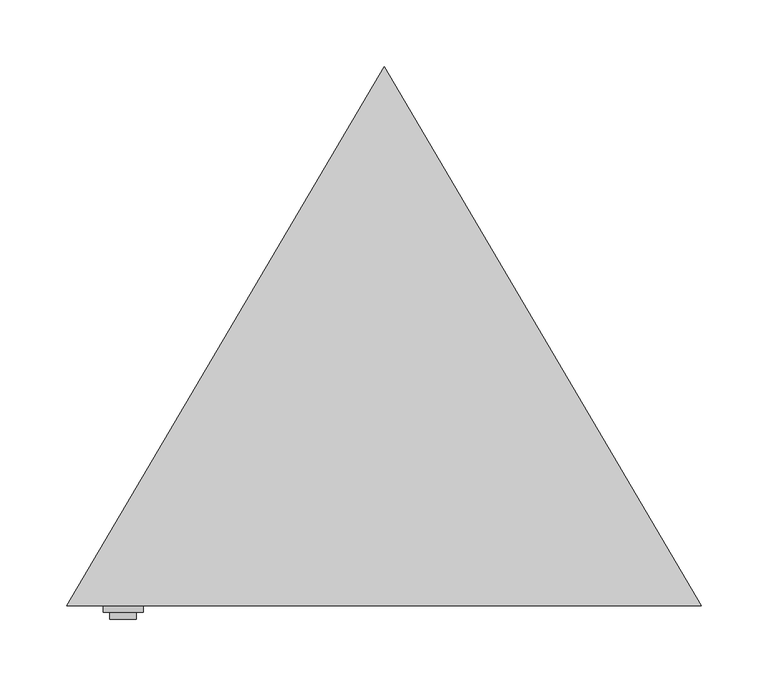
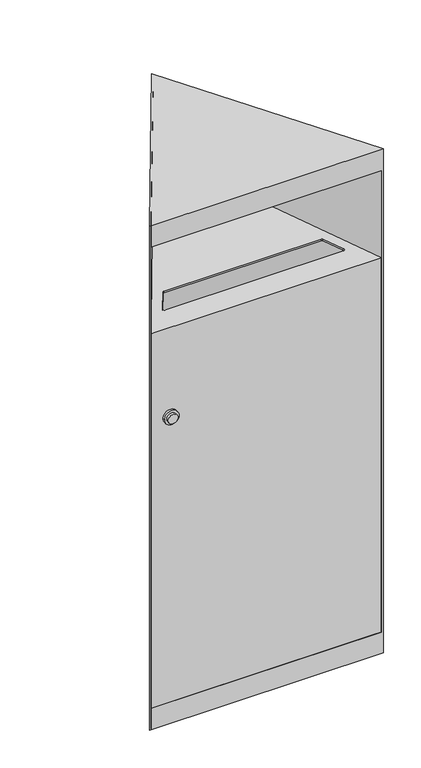
"""IFC4 building model written with IfcOpenShell, lengths in millimetres: furniture geometry."""

from ifc_helpers import new_model, si_unit, point, frame, frame_2d, origin, origin_with_axes, place, context, project, spatial, polyline, circle_curve, ellipse_curve, trimmed, segment, composite_curve, outline, extrude, faceted_brep, source, transform, mapped, element, save
from ifc_brep_helpers import plane_surface, revolved_surface, advanced_brep


def furniture_6f7bcf2e(model_context):
    return source(origin(), model_context, "Body", "SolidModel", [
        extrude(outline(composite_curve([segment(trimmed(circle_curve(frame_2d((662.0, -196.0)), 10.0), [point((662.0, -186.0))], [point((662.0, -206.0))], False, "CARTESIAN"), True, "CONTINUOUS"), segment(trimmed(circle_curve(frame_2d((662.0, -196.0)), 10.0), [point((662.0, -206.0))], [point((662.0, -186.0))], False, "CARTESIAN"), True, "CONTINUOUS")], self_intersect=False)), frame((0.0, -120.0, 0.0), z_axis=(0.0, 1.0, 0.0), x_axis=(0.0, 0.0, 1.0)), (0.0, 0.0, 1.0), 5.0),
        extrude(outline(composite_curve([segment(trimmed(circle_curve(frame_2d((662.0, -196.0)), 15.0), [point((662.0, -211.0))], [point((662.0, -181.0))], False, "CARTESIAN"), True, "CONTINUOUS"), segment(trimmed(circle_curve(frame_2d((662.0, -196.0)), 15.0), [point((662.0, -181.0))], [point((662.0, -211.0))], False, "CARTESIAN"), True, "CONTINUOUS")], self_intersect=False)), frame((0.0, -115.0, 0.0), z_axis=(0.0, 1.0, 0.0), x_axis=(0.0, 0.0, 1.0)), (0.0, 0.0, 1.0), 5.0),
        faceted_brep([(238.5, -110.0, 1086.0), (0.0, 294.9910493, 1086.0), (-238.5, -110.0, 1086.0), (-238.5, -110.0, 0.0), (0.0, 294.9910493, 0.0), (238.5, -110.0, 0.0), (-233.2517359, -107.0, 0.0), (233.2517359, -107.0, 0.0), (0.0, 289.0790996, 0.0), (0.0, 289.0790996, 1083.0), (-233.2517359, -107.0, 1083.0), (-233.2517359, -107.0, 1040.0), (-235.0184416, -110.0, 1040.0), (-235.0184416, -110.0, 46.0), (-233.2517359, -107.0, 46.0), (233.2517359, -107.0, 46.0), (235.0184416, -110.0, 46.0), (235.0184416, -110.0, 1040.0), (233.2517359, -107.0, 1040.0), (233.2517359, -107.0, 1083.0)], [[[0, 1, 2]], [[3, 4, 5], [6, 7, 8]], [[6, 8, 9, 10, 11, 12, 13, 14]], [[8, 7, 15, 16, 17, 18, 19, 9]], [[0, 2, 3, 5], [13, 12, 17, 16]], [[1, 0, 5, 4]], [[2, 1, 4, 3]], [[15, 14, 13, 16]], [[14, 15, 7, 6]], [[10, 9, 19]], [[11, 18, 17, 12]], [[18, 11, 10, 19]]]),
        advanced_brep(
        [(0.0, 289.0790996, 923.4146925), (0.0, 289.0790996, 920.3684127), (-233.2517359, -107.0, 850.5289809), (-233.2517359, -107.0, 46.0), (-235.0184416, -110.0, 46.0), (-235.0184416, -110.0, 853.0462798), (235.0184416, -110.0, 853.0462798), (235.0184416, -110.0, 46.0), (233.2517359, -107.0, 46.0), (233.2517359, -107.0, 850.5289809), (184.4109572, -63.4776596, 861.2494237), (181.825908, -68.0, 860.452013), (-181.825908, -68.0, 860.452013), (-184.4109572, -63.4776596, 861.2494237), (-163.2104887, -27.4776596, 867.597195), (-160.6254394, -26.0, 867.8577462), (160.6254394, -26.0, 867.8577462), (163.2104887, -27.4776596, 867.597195), (181.825908, -68.0, 857.4057332), (184.4109572, -63.4776596, 858.2031438), (163.2104887, -27.4776596, 864.5509151), (160.6254394, -26.0, 864.8114664), (-160.6254394, -26.0, 864.8114664), (-163.2104887, -27.4776596, 864.5509151), (-184.4109572, -63.4776596, 858.2031438), (-181.825908, -68.0, 857.4057332)],
        [
            (0, 1),
            (1, 2),
            (2, 3),
            (3, 4),
            (4, 5),
            (5, 0),
            (0, 6),
            (6, 7),
            (7, 8),
            (8, 9),
            (9, 1),
            (5, 6),
            (10, 11, ellipse_curve(frame((181.825908, -65.0, 860.980994), z_axis=(0.0, 0.17364817766692045, -0.9848077530122098), x_axis=(0.0, 0.9848077530122097, 0.17364817766692028)), 3.0462798, 3.0)),
            (11, 12),
            (12, 13, ellipse_curve(frame((-181.825908, -65.0, 860.980994), z_axis=(0.0, 0.17364817766692045, -0.9848077530122098), x_axis=(0.0, 0.9848077530122097, 0.17364817766692028)), 3.0462798, 3.0)),
            (13, 14),
            (14, 15, ellipse_curve(frame((-160.6254394, -29.0, 867.3287653), z_axis=(0.0, 0.17364817766692045, -0.9848077530122098), x_axis=(0.0, 0.9848077530122097, 0.17364817766692028)), 3.0462798, 3.0)),
            (15, 16),
            (16, 17, ellipse_curve(frame((160.6254394, -29.0, 867.3287653), z_axis=(0.0, 0.17364817766692045, -0.9848077530122098), x_axis=(0.0, 0.9848077530122097, 0.17364817766692028)), 3.0462798, 3.0)),
            (17, 10),
            (4, 7),
            (2, 9),
            (8, 3),
            (18, 19, ellipse_curve(frame((181.825908, -65.0, 857.9347141), z_axis=(0.0, -0.17364817766692028, 0.9848077530122099), x_axis=(0.0, 0.9848077530122101, 0.17364817766691923)), 3.0462798, 3.0)),
            (19, 20),
            (20, 21, ellipse_curve(frame((160.6254394, -29.0, 864.2824854), z_axis=(0.0, -0.17364817766692028, 0.9848077530122099), x_axis=(0.0, 0.9848077530122101, 0.17364817766691923)), 3.0462798, 3.0)),
            (21, 22),
            (22, 23, ellipse_curve(frame((-160.6254394, -29.0, 864.2824854), z_axis=(0.0, -0.17364817766692028, 0.9848077530122099), x_axis=(0.0, 0.9848077530122101, 0.17364817766691923)), 3.0462798, 3.0)),
            (23, 24),
            (24, 25, ellipse_curve(frame((-181.825908, -65.0, 857.9347141), z_axis=(0.0, -0.17364817766692028, 0.9848077530122099), x_axis=(0.0, 0.9848077530122101, 0.17364817766691923)), 3.0462798, 3.0)),
            (25, 18),
            (18, 11),
            (10, 19),
            (17, 20),
            (16, 21),
            (15, 22),
            (14, 23),
            (13, 24),
            (12, 25),
        ],
        [
            plane_surface(frame((-235.0184416, -110.0, 952.3232456), z_axis=(-0.8616830835825706, 0.5074468085106385, 0.0), x_axis=(0.0, 0.0, -1.0))),
            plane_surface(frame((0.0, 289.0790996, 952.3232456), z_axis=(0.8616830835825707, 0.5074468085106385, 0.0), x_axis=(0.0, 0.0, -1.0))),
            plane_surface(frame((252.5303996, 289.0790996, 923.4146925), z_axis=(0.0, -0.17364817766692045, 0.9848077530122098), x_axis=(-1.0, 0.0, 0.0))),
            plane_surface(frame((252.5303996, -110.0, 853.0462798), z_axis=(0.0, -1.0, 0.0), x_axis=(-1.0, 0.0, 0.0))),
            plane_surface(frame((252.5303996, -107.0, 844.8394408), z_axis=(0.0, 1.0, 0.0), x_axis=(-1.0, 0.0, 0.0))),
            plane_surface(frame((252.5303996, -107.0, 850.5289809), z_axis=(0.0, 0.17364817766692028, -0.9848077530122099), x_axis=(-1.0, 0.0, 0.0))),
            revolved_surface(polyline([(184.825908, -65.0, 861.5099749359335), (184.825908, -65.0, 857.4057331640664)]), (181.825908, -65.0, 827.0276306), (0.0, 0.0, 1.0)),
            plane_surface(frame((184.4109572, -63.4776596, 908.9247317), z_axis=(-0.8616830835825685, -0.5074468085106423, 0.0), x_axis=(0.0, 0.0, -1.0))),
            revolved_surface(polyline([(163.6254394, -29.0, 867.8577462359335), (163.6254394, -29.0, 863.7535044640665)]), (160.6254394, -29.0, 827.0276306), (0.0, 0.0, 1.0)),
            plane_surface(frame((160.6254394, -26.0, 908.9247317), z_axis=(0.0, -1.0, 0.0), x_axis=(0.0, 0.0, -1.0))),
            revolved_surface(polyline([(-157.6254394, -29.0, 867.8577462359335), (-157.6254394, -29.0, 863.7535044640665)]), (-160.6254394, -29.0, 827.0276306), (0.0, 0.0, 1.0)),
            plane_surface(frame((-163.2104887, -27.4776596, 908.9247317), z_axis=(0.8616830835825686, -0.5074468085106421, 0.0), x_axis=(0.0, 0.0, -1.0))),
            revolved_surface(polyline([(-178.825908, -65.0, 861.5099749359335), (-178.825908, -65.0, 857.4057331640664)]), (-181.825908, -65.0, 827.0276306), (0.0, 0.0, 1.0)),
            plane_surface(frame((-181.825908, -68.0, 908.9247317), z_axis=(0.0, 1.0, 0.0), x_axis=(0.0, 0.0, -1.0))),
            plane_surface(frame((-235.0184416, -110.0, 46.0), z_axis=(0.0, 0.0, -1.0), x_axis=(-1.0, 0.0, 0.0))),
        ],
        [
            (0, [[1, 2, 3, 4, 5, 6]]),
            (1, [[-1, 7, 8, 9, 10, 11]]),
            (2, [[12, -7, -6], [13, 14, 15, 16, 17, 18, 19, 20]]),
            (3, [[-8, -12, -5, 21]]),
            (4, [[-3, 22, -10, 23]]),
            (5, [[-22, -2, -11], [24, 25, 26, 27, 28, 29, 30, 31]]),
            (6, [[32, -13, 33, -24]]),
            (7, [[-33, -20, 34, -25]]),
            (8, [[-34, -19, 35, -26]]),
            (9, [[-35, -18, 36, -27]]),
            (10, [[-36, -17, 37, -28]]),
            (11, [[-37, -16, 38, -29]]),
            (12, [[-38, -15, 39, -30]]),
            (13, [[-32, -31, -39, -14]]),
            (14, [[-4, -23, -9, -21]]),
        ],
    ),
        extrude(outline(polyline([(0.0, 289.0790996), (233.2517359, -107.0), (-233.2517359, -107.0), (0.0, 289.0790996)])), origin_with_axes(), (0.0, 0.0, 1.0), 3.0),
    ])


if __name__ == "__main__":
    model = new_model("IFC4")
    model_context = context("Model", 3, world=origin())
    ifc_project = project(units=[si_unit("LENGTHUNIT", "METRE", prefix="MILLI")], contexts=[model_context])
    site = spatial("IfcSite", under=ifc_project)
    building = spatial("IfcBuilding", under=site)
    placement = place(None, origin())
    furniture_shape = furniture_6f7bcf2e(model_context)
    element("IfcFurniture", 1, at=placement, inside=building, context=model_context, shape_type="MappedRepresentation", body=[
        mapped(furniture_shape, transform((0.0, 0.0, 0.0), x_axis=(1.0, 0.0, 0.0), y_axis=(0.0, 1.0, 0.0), z_axis=(0.0, 0.0, 1.0))),
    ])
    save(model, "model.ifc")
